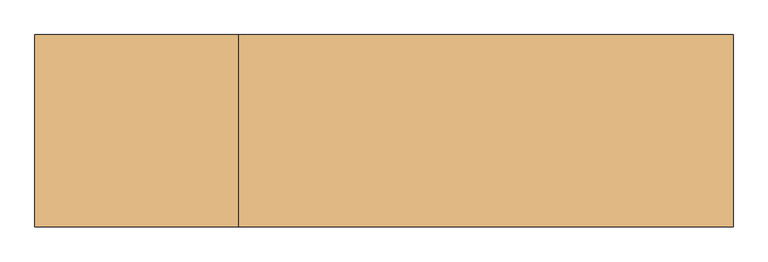
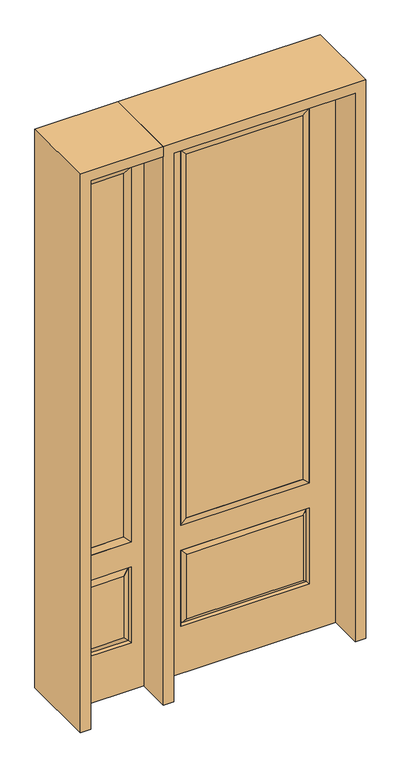
"""IFC4 building model written with IfcOpenShell, lengths in millimetres: door geometry."""

from ifc_helpers import new_model, si_unit, frame, origin, place, context, project, spatial, polyline, outline, extrude, faceted_brep, source, transform, mapped, element, save


def door_a5bff854(model_context):
    return source(origin(), model_context, "Body", "SolidModel", [
        faceted_brep([(-730.25, -22.225, 0.0), (-425.45, -22.225, 0.0), (-425.45, -22.225, 2438.4), (-730.25, -22.225, 2438.4), (-477.52, -22.225, 2325.624), (-477.52, -22.225, 657.098), (-678.18, -22.225, 657.098), (-678.18, -22.225, 2325.624), (-477.52, -22.225, 209.55), (-678.18, -22.225, 209.55), (-678.18, -22.225, 546.1), (-477.52, -22.225, 546.1), (-646.4648999, -22.225, 241.2651001), (-509.2351001, -22.225, 241.2651001), (-509.2351001, -22.225, 514.3848999), (-646.4648999, -22.225, 514.3848999), (-730.25, 22.225, 0.0), (-730.25, 22.225, 2438.4), (-425.45, 22.225, 2438.4), (-425.45, 22.225, 0.0), (-477.52, 22.225, 2325.624), (-678.18, 22.225, 2325.624), (-678.18, 22.225, 657.098), (-477.52, 22.225, 657.098), (-678.18, 22.225, 209.55), (-477.52, 22.225, 209.55), (-477.52, 22.225, 546.1), (-678.18, 22.225, 546.1), (-509.2351001, 22.225, 241.2651001), (-646.4648999, 22.225, 241.2651001), (-646.4648999, 22.225, 514.3848999), (-509.2351001, 22.225, 514.3848999), (-484.6288501, 12.7912373, 216.6588501), (-671.0711499, 12.7912373, 216.6588501), (-671.0711499, 12.7912373, 538.9911499), (-484.6288501, 12.7912373, 538.9911499), (-671.0711499, -12.7912373, 216.6588501), (-484.6288501, -12.7912373, 216.6588501), (-671.0711499, -12.7912373, 538.9911499), (-484.6288501, -12.7912373, 538.9911499)], [[[0, 1, 2, 3], [4, 5, 6, 7], [8, 9, 10, 11]], [[12, 13, 14, 15]], [[16, 17, 18, 19], [20, 21, 22, 23], [24, 25, 26, 27]], [[28, 29, 30, 31]], [[1, 0, 16, 19]], [[2, 1, 19, 18]], [[3, 2, 18, 17]], [[0, 3, 17, 16]], [[5, 4, 20, 23]], [[6, 5, 23, 22]], [[7, 6, 22, 21]], [[4, 7, 21, 20]], [[32, 33, 29, 28]], [[33, 32, 25, 24]], [[29, 33, 34, 30]], [[33, 24, 27, 34]], [[30, 34, 35, 31]], [[34, 27, 26, 35]], [[32, 28, 31, 35]], [[25, 32, 35, 26]], [[12, 36, 37, 13]], [[37, 36, 9, 8]], [[36, 12, 15, 38]], [[9, 36, 38, 10]], [[38, 15, 14, 39]], [[10, 38, 39, 11]], [[13, 37, 39, 14]], [[37, 8, 11, 39]]]),
        faceted_brep([(-678.18, 22.225, 2325.624), (-678.18, -22.225, 2325.624), (-477.52, -22.225, 2325.624), (-477.52, 22.225, 2325.624), (-652.78, 12.7, 2300.224), (-502.92, 12.7, 2300.224), (-652.78, -12.7, 2300.224), (-502.92, -12.7, 2300.224), (-477.52, -22.225, 657.098), (-477.52, 22.225, 657.098), (-502.92, 12.7, 682.498), (-502.92, -12.7, 682.498), (-678.18, -22.225, 657.098), (-678.18, 22.225, 657.098), (-652.78, 12.7, 682.498), (-652.78, -12.7, 682.498)], [[[0, 1, 2, 3]], [[4, 0, 3, 5]], [[6, 4, 5, 7]], [[1, 6, 7, 2]], [[3, 2, 8, 9]], [[5, 3, 9, 10]], [[7, 5, 10, 11]], [[2, 7, 11, 8]], [[9, 8, 12, 13]], [[10, 9, 13, 14]], [[11, 10, 14, 15]], [[8, 11, 15, 12]], [[13, 12, 1, 0]], [[14, 13, 0, 4]], [[15, 14, 4, 6]], [[12, 15, 6, 1]]]),
        extrude(outline(polyline([(-502.92, -12.7), (-652.78, -12.7), (-652.78, 12.7), (-502.92, 12.7), (-502.92, -12.7)])), frame((0.0, 0.0, 682.498), z_axis=(0.0, 0.0, 1.0), x_axis=(1.0, 0.0, 0.0)), (0.0, 0.0, 1.0), 1617.726),
        extrude(outline(polyline([(244.475, -20.32), (-244.475, -20.32), (-244.475, 5.08), (244.475, 5.08), (244.475, -20.32)])), frame((0.0, 0.0, 682.498), z_axis=(0.0, 0.0, 1.0), x_axis=(1.0, 0.0, 0.0)), (0.0, 0.0, 1.0), 1616.202),
        faceted_brep([(-262.7661499, -12.7912373, 216.6588501), (262.7661499, -12.7912373, 216.6588501), (245.26875, -22.225, 234.15625), (-245.26875, -22.225, 234.15625), (-269.875, -22.225, 209.55), (269.875, -22.225, 209.55), (-262.7661499, -12.7912373, 538.9911499), (-269.875, -22.225, 546.1), (245.26875, -22.225, 521.49375), (-245.26875, -22.225, 521.49375), (381.0, -22.225, 2438.4), (-381.0, -22.225, 2438.4), (-381.0, -22.225, 0.0), (381.0, -22.225, 0.0), (269.875, -22.225, 546.1), (269.875, -22.225, 2324.1), (269.875, -22.225, 657.098), (-269.875, -22.225, 657.098), (-269.875, -22.225, 2324.1), (262.7661499, -12.7912373, 538.9911499), (-381.0, 22.225, 2438.4), (-381.0, 22.225, 0.0), (381.0, 22.225, 0.0), (381.0, 22.225, 2438.4), (269.875, 22.225, 2324.1), (269.875, 22.225, 657.098), (-269.875, 22.225, 657.098), (-269.875, 22.225, 2324.1), (-269.875, 22.225, 209.55), (269.875, 22.225, 209.55), (269.875, 22.225, 546.1), (-269.875, 22.225, 546.1), (245.26875, 22.225, 234.15625), (-245.26875, 22.225, 234.15625), (-245.26875, 22.225, 521.49375), (245.26875, 22.225, 521.49375), (-262.7661499, 12.7912373, 216.6588501), (262.7661499, 12.7912373, 216.6588501), (262.7661499, 12.7912373, 538.9911499), (-262.7661499, 12.7912373, 538.9911499)], [[[0, 1, 2, 3]], [[1, 0, 4, 5]], [[4, 0, 6, 7]], [[3, 2, 8, 9]], [[10, 11, 12, 13], [5, 4, 7, 14], [15, 16, 17, 18]], [[1, 5, 14, 19]], [[2, 1, 19, 8]], [[0, 3, 9, 6]], [[7, 6, 19, 14]], [[6, 9, 8, 19]], [[12, 11, 20, 21]], [[13, 12, 21, 22]], [[10, 13, 22, 23]], [[16, 15, 24, 25]], [[17, 16, 25, 26]], [[18, 17, 26, 27]], [[23, 22, 21, 20], [28, 29, 30, 31], [24, 27, 26, 25]], [[32, 33, 34, 35]], [[28, 36, 37, 29]], [[29, 37, 38, 30]], [[39, 31, 30, 38]], [[36, 28, 31, 39]], [[37, 36, 33, 32]], [[33, 36, 39, 34]], [[34, 39, 38, 35]], [[37, 32, 35, 38]], [[11, 10, 23, 20]], [[15, 18, 27, 24]]]),
        faceted_brep([(-269.875, -22.225, 2324.1), (-269.875, 22.225, 2324.1), (-269.875, 22.225, 657.098), (-269.875, -22.225, 657.098), (269.875, 22.225, 657.098), (269.875, -22.225, 657.098), (-244.475, 5.08, 682.498), (244.475, 5.08, 682.498), (269.875, 22.225, 2324.1), (269.875, -22.225, 2324.1), (-244.475, -20.32, 682.498), (244.475, -20.32, 682.498), (-244.475, -20.32, 2298.7), (244.475, -20.32, 2298.7), (-244.475, 5.08, 2298.7), (244.475, 5.08, 2298.7)], [[[0, 1, 2, 3]], [[3, 2, 4, 5]], [[2, 6, 7, 4]], [[5, 4, 8, 9]], [[10, 3, 5, 11]], [[12, 0, 3, 10]], [[11, 5, 9, 13]], [[6, 10, 11, 7]], [[14, 12, 10, 6]], [[7, 11, 13, 15]], [[1, 14, 6, 2]], [[4, 7, 15, 8]], [[9, 8, 1, 0]], [[13, 9, 0, 12]], [[15, 13, 12, 14]], [[8, 15, 14, 1]]]),
        extrude(outline(polyline([(2438.4, -425.45), (2482.85, -425.45), (2482.85, -774.7), (0.0, -774.7), (0.0, -730.25), (2438.4, -730.25), (2438.4, -425.45)])), frame((0.0, -165.1, 0.0), z_axis=(0.0, 1.0, 0.0), x_axis=(0.0, 0.0, 1.0)), (0.0, 0.0, 1.0), 330.2),
        extrude(outline(polyline([(2482.85, -425.45), (0.0, -425.45), (0.0, -381.0), (2438.4, -381.0), (2438.4, 381.0), (0.0, 381.0), (0.0, 425.45), (2482.85, 425.45), (2482.85, -425.45)])), frame((0.0, -165.1, 0.0), z_axis=(0.0, 1.0, 0.0), x_axis=(0.0, 0.0, 1.0)), (0.0, 0.0, 1.0), 330.2),
    ])


if __name__ == "__main__":
    model = new_model("IFC4")
    model_context = context("Model", 3, world=origin())
    ifc_project = project(units=[si_unit("LENGTHUNIT", "METRE", prefix="MILLI")], contexts=[model_context])
    site = spatial("IfcSite", under=ifc_project)
    building = spatial("IfcBuilding", under=site)
    placement = place(None, origin())
    door_shape = door_a5bff854(model_context)
    element("IfcDoor", 1, at=placement, inside=building, context=model_context, shape_type="MappedRepresentation", body=[
        mapped(door_shape, transform((0.0, 0.0, 0.0), x_axis=(1.0, 0.0, 0.0), y_axis=(0.0, 1.0, 0.0), z_axis=(0.0, 0.0, 1.0))),
    ])
    save(model, "model.ifc")
